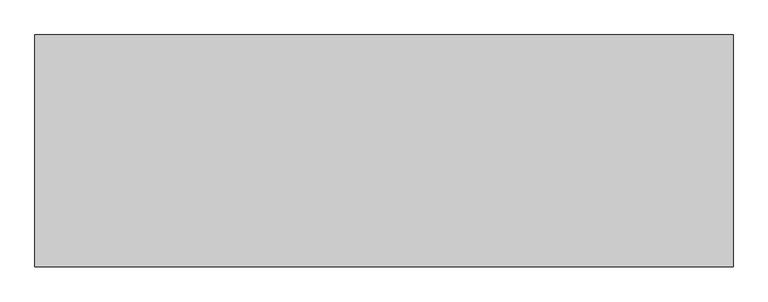
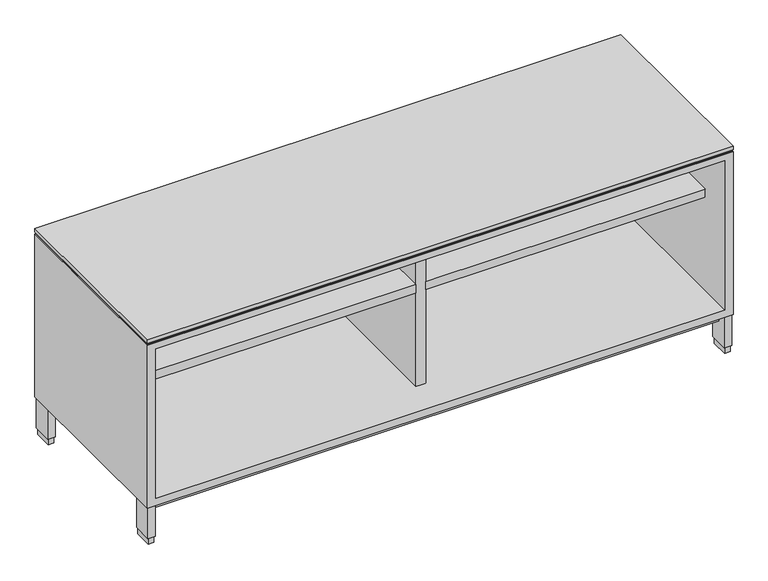
"""IFC4 building model written with IfcOpenShell, lengths in millimetres: furniture geometry."""

from ifc_helpers import new_model, si_unit, frame, origin, origin_with_axes, place, context, project, spatial, polyline, outline, extrude, faceted_brep, source, transform, mapped, element, save


def furniture_5f3b905d(model_context):
    return source(origin(), model_context, "Body", "SolidModel", [
        extrude(outline(polyline([(748.665, -419.2524), (23.8125, -419.2524), (23.8125, -23.749), (748.665, -23.749), (748.665, -419.2524)])), frame((0.0, 0.0, 380.111), z_axis=(0.0, 0.0, 1.0), x_axis=(1.0, 0.0, 0.0)), (0.0, 0.0, 1.0), 22.225),
        extrude(outline(polyline([(1500.1875, -419.2524), (775.335, -419.2524), (775.335, -23.749), (1500.1875, -23.749), (1500.1875, -419.2524)])), frame((0.0, 0.0, 380.111), z_axis=(0.0, 0.0, 1.0), x_axis=(1.0, 0.0, 0.0)), (0.0, 0.0, 1.0), 22.225),
        extrude(outline(polyline([(21.2979, -5.715), (21.2979, -52.197), (6.5659, -52.197), (6.5659, -5.715), (21.2979, -5.715)])), origin_with_axes(), (0.0, 0.0, 1.0), 17.399),
        extrude(outline(polyline([(1517.4341, -5.715), (1517.4341, -52.197), (1502.7021, -52.197), (1502.7021, -5.715), (1517.4341, -5.715)])), origin_with_axes(), (0.0, 0.0, 1.0), 17.399),
        extrude(outline(polyline([(1517.4341, -456.057), (1517.4341, -502.539), (1502.7021, -502.539), (1502.7021, -456.057), (1517.4341, -456.057)])), origin_with_axes(), (0.0, 0.0, 1.0), 17.399),
        extrude(outline(polyline([(21.2979, -456.057), (21.2979, -502.539), (6.5659, -502.539), (6.5659, -456.057), (21.2979, -456.057)])), origin_with_axes(), (0.0, 0.0, 1.0), 17.399),
        extrude(outline(polyline([(23.4569, -3.556), (23.4569, -54.356), (4.4069, -54.356), (4.4069, -3.556), (23.4569, -3.556)])), frame((0.0, 0.0, 17.399), z_axis=(0.0, 0.0, 1.0), x_axis=(1.0, 0.0, 0.0)), (0.0, 0.0, 1.0), 84.709),
        extrude(outline(polyline([(1519.5931, -3.556), (1519.5931, -54.356), (1500.5431, -54.356), (1500.5431, -3.556), (1519.5931, -3.556)])), frame((0.0, 0.0, 17.399), z_axis=(0.0, 0.0, 1.0), x_axis=(1.0, 0.0, 0.0)), (0.0, 0.0, 1.0), 84.709),
        extrude(outline(polyline([(1519.5931, -453.898), (1519.5931, -504.698), (1500.5431, -504.698), (1500.5431, -453.898), (1519.5931, -453.898)])), frame((0.0, 0.0, 17.399), z_axis=(0.0, 0.0, 1.0), x_axis=(1.0, 0.0, 0.0)), (0.0, 0.0, 1.0), 84.709),
        extrude(outline(polyline([(23.4569, -453.898), (23.4569, -504.698), (4.4069, -504.698), (4.4069, -453.898), (23.4569, -453.898)])), frame((0.0, 0.0, 17.399), z_axis=(0.0, 0.0, 1.0), x_axis=(1.0, 0.0, 0.0)), (0.0, 0.0, 1.0), 84.709),
        extrude(outline(polyline([(1521.714, -504.444), (3.8735, -504.444), (3.8735, -2.3114), (1521.714, -2.3114), (1521.714, -504.444)])), frame((0.0, 0.0, 549.783), z_axis=(0.0, 0.0, 1.0), x_axis=(1.0, 0.0, 0.0)), (0.0, 0.0, 1.0), 1.905),
        extrude(outline(polyline([(1522.4125, -506.349), (1.5875, -506.349), (1.5875, -1.524), (1522.4125, -1.524), (1522.4125, -506.349)])), frame((0.0, 0.0, 554.863), z_axis=(0.0, 0.0, 1.0), x_axis=(1.0, 0.0, 0.0)), (0.0, 0.0, 1.0), 9.525),
        extrude(outline(polyline([(774.7, -419.2524), (749.3, -419.2524), (749.3, -23.749), (774.7, -23.749), (774.7, -419.2524)])), frame((0.0, 0.0, 122.7582), z_axis=(0.0, 0.0, 1.0), x_axis=(1.0, 0.0, 0.0)), (0.0, 0.0, 1.0), 409.5496),
        extrude(outline(polyline([(1500.5431, -480.5537946), (23.4569, -480.5537946), (23.4569, -26.9983538), (1500.5431, -26.9983538), (1500.5431, -480.5537946)])), frame((0.0, 0.0, 76.708), z_axis=(0.0, 0.0, 1.0), x_axis=(1.0, 0.0, 0.0)), (0.0, 0.0, 1.0), 25.4),
        faceted_brep([(1522.4125, -506.349, 549.783), (1.5875, -506.349, 549.783), (1.5875, -506.349, 102.108), (1522.4125, -506.349, 102.108), (23.8125, -506.349, 532.3078), (1500.1875, -506.349, 532.3078), (1500.1875, -506.349, 122.7582), (23.8125, -506.349, 122.7582), (1522.4125, -1.524, 549.783), (1522.4125, -1.524, 102.108), (1.5875, -1.524, 102.108), (1.5875, -1.524, 549.783), (1500.1875, -23.749, 532.3078), (23.8125, -23.749, 532.3078), (23.8125, -23.749, 122.7582), (1500.1875, -23.749, 122.7582)], [[[0, 1, 2, 3], [4, 5, 6, 7]], [[8, 9, 10, 11]], [[1, 0, 8, 11]], [[2, 1, 11, 10]], [[3, 2, 10, 9]], [[0, 3, 9, 8]], [[12, 13, 14, 15]], [[13, 12, 5, 4]], [[14, 13, 4, 7]], [[15, 14, 7, 6]], [[12, 15, 6, 5]]]),
    ])


if __name__ == "__main__":
    model = new_model("IFC4")
    model_context = context("Model", 3, world=origin())
    ifc_project = project(units=[si_unit("LENGTHUNIT", "METRE", prefix="MILLI")], contexts=[model_context])
    site = spatial("IfcSite", under=ifc_project)
    building = spatial("IfcBuilding", under=site)
    placement = place(None, origin())
    furniture_shape = furniture_5f3b905d(model_context)
    element("IfcFurniture", 1, at=placement, inside=building, context=model_context, shape_type="MappedRepresentation", body=[
        mapped(furniture_shape, transform((0.0, 0.0, 0.0), x_axis=(1.0, 0.0, 0.0), y_axis=(0.0, 1.0, 0.0), z_axis=(0.0, 0.0, 1.0))),
    ])
    save(model, "model.ifc")
